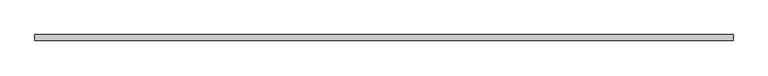
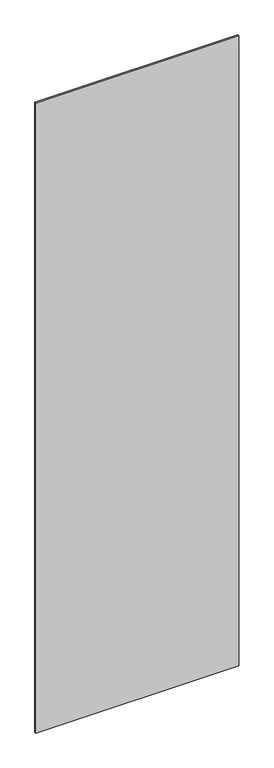
"""IFC4 building model written with IfcOpenShell, lengths in millimetres: plate geometry."""

from ifc_helpers import new_model, si_unit, origin, origin_with_axes, place, context, project, spatial, polyline, outline, extrude, source, transform, mapped, element, save


def plate_e6aca16e(model_context):
    return source(origin(), model_context, "Body", "SweptSolid", [
        extrude(outline(polyline([(588.3204416, -5.0), (-588.3204416, -5.0), (-588.3204416, 5.0), (588.3204416, 5.0), (588.3204416, -5.0)])), origin_with_axes(), (0.0, 0.0, 1.0), 3860.0),
    ])


if __name__ == "__main__":
    model = new_model("IFC4")
    model_context = context("Model", 3, world=origin())
    ifc_project = project(units=[si_unit("LENGTHUNIT", "METRE", prefix="MILLI")], contexts=[model_context])
    site = spatial("IfcSite", under=ifc_project)
    building = spatial("IfcBuilding", under=site)
    placement = place(None, origin())
    plate_shape = plate_e6aca16e(model_context)
    element("IfcPlate", 1, at=placement, inside=building, context=model_context, shape_type="MappedRepresentation", body=[
        mapped(plate_shape, transform((0.0, 0.0, 0.0), x_axis=(1.0, 0.0, 0.0), y_axis=(0.0, 1.0, 0.0), z_axis=(0.0, 0.0, 1.0))),
    ])
    save(model, "model.ifc")
